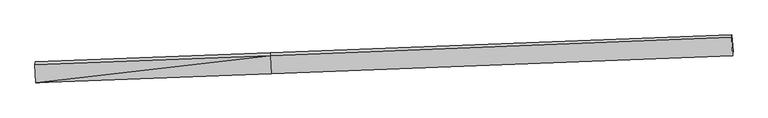
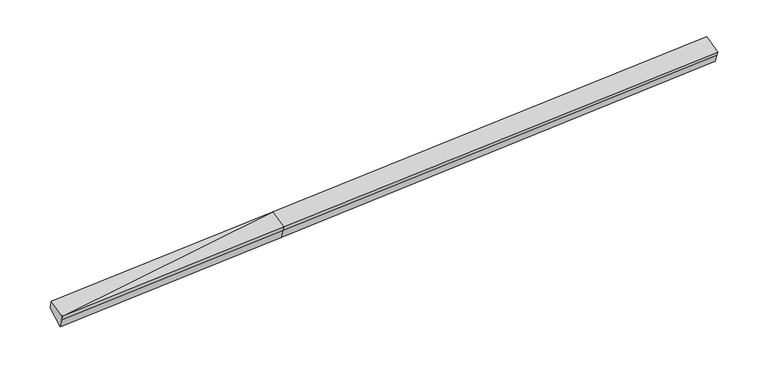
"""IFC4 building model written with IfcOpenShell, lengths in millimetres: proxy geometry."""

from ifc_helpers import new_model, si_unit, frame, origin, place, context, project, spatial, source, transform, mapped, element, save
from ifc_brep_helpers import plane_surface, spline_surface, advanced_brep


def generic_models_7c6229b3(model_context):
    return source(origin(), model_context, "Body", "AdvancedBrep", [
        advanced_brep(
        [(-11414.6710833, -2421.576426, 1543.2177301), (-11409.4745378, -2363.7893328, 1372.8251018), (-2767.0126063, -2025.2479592, 1751.2115891), (-2772.2091517, -2083.0350524, 1921.6042174), (-11449.0346003, -1754.4025016, 1768.4356319), (-2806.5726687, -1415.861128, 2146.8221192), (-11438.4998784, -1644.6952249, 1429.4003081), (-2796.0379468, -1306.1538513, 1807.7867954), (-11398.3836677, -2240.4556387, 1009.159946), (-2755.9217362, -1901.9142652, 1387.5464333), (14165.2897599, -657.0355409, 2598.0262081), (14156.1985228, -750.6908472, 2889.7302463), (14190.5620398, -1417.8647717, 2664.5123445), (14195.7585853, -1360.0776784, 2494.1197162), (14205.4059705, -1252.7959547, 2177.785846)],
        [
            (0, 1),
            (1, 2),
            (2, 3),
            (3, 0),
            (4, 0),
            (0, 5),
            (5, 4),
            (6, 4),
            (5, 7),
            (7, 6),
            (8, 6),
            (7, 9),
            (9, 8),
            (1, 8),
            (9, 2),
            (10, 11),
            (11, 12),
            (12, 13),
            (13, 14),
            (14, 10),
            (3, 5),
            (5, 11),
            (10, 7),
            (3, 12),
            (2, 13),
            (9, 14),
        ],
        [
            plane_surface(frame((-11412.0728106, -2392.6828794, 1458.0214159), z_axis=(0.05104890951137014, -0.9462581791193156, -0.319357898426667), x_axis=(0.028869696889435404, 0.32103940702200157, -0.9466257125920856))),
            plane_surface(frame((-11431.8528418, -2087.9894638, 1655.826681), z_axis=(-0.028869696889435054, -0.32103940702199363, 0.9466257125920884), x_axis=(0.048742577306953805, -0.9463459920787014, -0.3194580167002453))),
            plane_surface(frame((-11443.7672393, -1699.5488632, 1598.91797), z_axis=(-0.05063898390266267, 0.9506677621983051, 0.3060498312794389), x_axis=(-0.029550485603295845, -0.3077350620528932, 0.9510130915943857))),
            plane_surface(frame((-11418.4417731, -1942.5754318, 1219.280127), z_axis=(0.013155369199877493, 0.5769533018588824, -0.8166711845873763), x_axis=(-0.054941252929200636, 0.8159251101512813, 0.5755412003941934))),
            plane_surface(frame((-11403.9291028, -2302.1224857, 1190.9925239), z_axis=(0.051048909511370165, -0.9462581791193155, -0.31935789842666745), x_axis=(0.028869696889433666, 0.3210394070220019, -0.9466257125920855))),
            plane_surface(frame((14179.3640733, -1019.5967786, 2582.5136612), z_axis=(0.9983940613600365, 0.03691832086573511, 0.04296901005918767), x_axis=(-0.029660990880619673, -0.3055589869129043, 0.951711054436555))),
            plane_surface(frame((-11425.1473074, -2015.2824478, 1437.553404), z_axis=(-0.9983940613600362, -0.036918320865733135, -0.042969010059194276), x_axis=(-0.028869696889437097, -0.32103940702200173, 0.9466257125920854))),
            plane_surface(frame((-11414.6710833, -2421.576426, 1543.2177301), z_axis=(-0.02886969688943504, -0.32103940702199374, 0.9466257125920884), x_axis=(0.04874257730695534, -0.9463459920787013, -0.3194580167002453))),
            spline_surface(1, 1, [[(-2796.0379468, -1306.1538513, 1807.7867954), (14165.2897599, -657.0355409, 2598.0262081)], [(-2806.5726687, -1415.861128, 2146.8221192), (14156.1985228, -750.6908472, 2889.7302463)]], [2, 2], [2, 2], [0.0, 1.0], [0.0, 1.0]),
            plane_surface(frame((-2789.3909102, -1749.4480902, 2034.2131683), z_axis=(-0.02886969688943484, -0.3210394070219992, 0.9466257125920865), x_axis=(0.0487425773069537, -0.9463459920786995, -0.31945801670025087))),
            plane_surface(frame((-2769.610879, -2054.1415058, 1836.4079032), z_axis=(0.051092702999627634, -0.9462564627341387, -0.31935598073946814), x_axis=(0.028869696889435404, 0.32103940702200157, -0.9466257125920856))),
            plane_surface(frame((-2761.4671712, -1963.5811122, 1569.3790112), z_axis=(0.051092702999627634, -0.9462564627341385, -0.3193559807394685), x_axis=(0.028869696889439026, 0.32103940702200207, -0.9466257125920853))),
            plane_surface(frame((-2775.9798415, -1604.0340582, 1597.6666143), z_axis=(0.0159593383250037, 0.5770557766496225, -0.8165487922687347), x_axis=(-0.05494125292920268, 0.8159251101512794, 0.575541200394196))),
        ],
        [
            (0, [[1, 2, 3, 4]]),
            (1, [[5, 6, 7]]),
            (2, [[8, -7, 9, 10]]),
            (3, [[11, -10, 12, 13]]),
            (4, [[14, -13, 15, -2]]),
            (5, [[16, 17, 18, 19, 20]]),
            (6, [[-1, -5, -8, -11, -14]]),
            (7, [[21, -6, -4]]),
            (8, [[-9, 22, -16, 23]]),
            (9, [[-21, 24, -17, -22]]),
            (10, [[-3, 25, -18, -24]]),
            (11, [[-15, 26, -19, -25]]),
            (12, [[-12, -23, -20, -26]]),
        ],
    ),
    ])


if __name__ == "__main__":
    model = new_model("IFC4")
    model_context = context("Model", 3, world=origin())
    ifc_project = project(units=[si_unit("LENGTHUNIT", "METRE", prefix="MILLI")], contexts=[model_context])
    site = spatial("IfcSite", under=ifc_project)
    building = spatial("IfcBuilding", under=site)
    placement = place(None, origin())
    generic_models_shape = generic_models_7c6229b3(model_context)
    element("IfcBuildingElementProxy", 1, Name="Generic Models", at=placement, inside=building, context=model_context, shape_type="MappedRepresentation", body=[
        mapped(generic_models_shape, transform((0.0, 0.0, 0.0), x_axis=(1.0, 0.0, 0.0), y_axis=(0.0, 1.0, 0.0), z_axis=(0.0, 0.0, 1.0))),
    ])
    save(model, "model.ifc")
